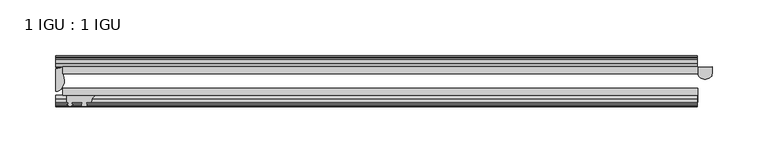
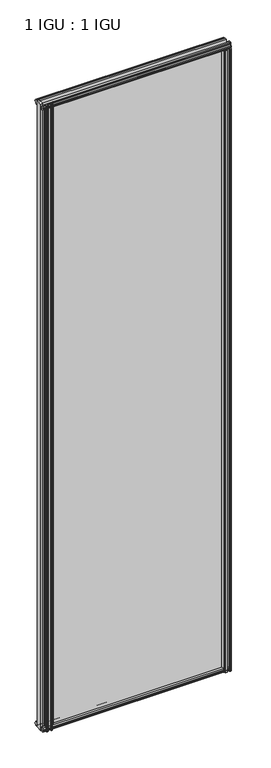
"""IFC4 building model written with IfcOpenShell, lengths in millimetres: plate geometry, 1 IGU : 1 IGU."""

from ifc_helpers import new_model, si_unit, point, frame, frame_2d, origin, place, context, project, spatial, polyline, circle_curve, ellipse_curve, trimmed, segment, composite_curve, outline, extrude, source, transform, mapped, element, save
from ifc_brep_helpers import plane_surface, cylinder_surface, revolved_surface, extruded_surface, advanced_brep


def plate_1_igu_1_igu_48973a5e(model_context):
    return source(origin(), model_context, "Body", "SolidModel", [
        extrude(outline(polyline([(-314.3182532, -38.6468937), (253.8940345, -38.6468937), (253.8940345, -44.9460938), (-314.3182532, -44.9460938), (-314.3182532, -38.6468937)])), frame((0.0, 0.0, -12.7), z_axis=(0.0, 0.0, 1.0), x_axis=(1.0, 0.0, 0.0)), (0.0, 0.0, 1.0), 2019.2999999),
        extrude(outline(polyline([(-314.3182532, -19.5460937), (253.8940345, -19.5460937), (253.8940345, -25.8960938), (-314.3182532, -25.8960938), (-314.3182532, -19.5460937)])), frame((0.0, 0.0, -12.7), z_axis=(0.0, 0.0, 1.0), x_axis=(1.0, 0.0, 0.0)), (0.0, 0.0, 1.0), 2019.2999999),
        advanced_brep(
        [(266.5698689, -19.5460937, -12.4587), (266.5698689, -25.8452938, -12.4587), (253.8698689, -25.8452938, -12.4587), (253.8698689, -19.5460938, -12.4587), (266.5698689, -19.5460937, 1993.1379999), (253.8698689, -19.5460938, 1993.1379999), (253.8698689, -25.8452938, 1993.1379999), (266.5698689, -25.8452938, 1993.1379999)],
        [
            (0, 1),
            (1, 2, ellipse_curve(frame((260.2198689, -25.8452938, -12.4587), z_axis=(0.0, 0.0, -1.0), x_axis=(-1.0, 0.0, 0.0)), 6.35, 4.7800819)),
            (2, 3),
            (3, 0, circle_curve(frame((260.2198689, 20.9435078, -12.4587), z_axis=(0.0, 0.0, 1.0), x_axis=(1.0, 0.0, 0.0)), 40.9845134)),
            (4, 5, circle_curve(frame((260.2198689, 20.9435078, 1993.1379999), z_axis=(0.0, 0.0, -1.0), x_axis=(1.0, 0.0, 0.0)), 40.9845134)),
            (5, 6),
            (6, 7, ellipse_curve(frame((260.2198689, -25.8452938, 1993.1379999), z_axis=(0.0, 0.0, 1.0), x_axis=(-1.0, 0.0, 0.0)), 6.35, 4.7800819)),
            (7, 4),
            (0, 4),
            (7, 1),
            (6, 2),
            (5, 3),
        ],
        [
            plane_surface(frame((253.1995032, -13.1960938, -12.4587), z_axis=(0.0, 0.0, -1.0), x_axis=(0.0, 1.0, 0.0))),
            plane_surface(frame((253.1995032, -13.1960938, 1993.1379999), z_axis=(0.0, 0.0, 1.0), x_axis=(0.0, 1.0, 0.0))),
            plane_surface(frame((266.5698689, -19.5460937, -12.4587), z_axis=(1.0, 0.0, 0.0), x_axis=(0.0, 0.0, 1.0))),
            extruded_surface(trimmed(ellipse_curve(frame((260.2198689, -25.8452938, 1993.1379999), z_axis=(0.0, 0.0, -1.0), x_axis=(-1.0, 0.0, 0.0)), 6.35, 4.7800819), [point((266.5698689, -25.8452938, 1993.1379999))], [point((253.8698689, -25.8452938, 1993.1379999))], True, "CARTESIAN"), (0.0, 0.0, -2005.5966999), 2005.5966999),
            plane_surface(frame((253.8698689, -25.8452938, -12.4587), z_axis=(-1.0, 0.0, 0.0), x_axis=(0.0, 0.0, 1.0))),
            revolved_surface(polyline([(301.2043823, 20.9435078, 1993.1379999), (301.2043823, 20.9435078, -12.4587)]), (260.2198689, 20.9435078, -12.4587), (0.0, 0.0, 1.0)),
        ],
        [
            (0, [[1, 2, 3, 4]]),
            (1, [[5, 6, 7, 8]]),
            (2, [[-1, 9, -8, 10]]),
            (3, [[-2, -10, -7, 11]]),
            (4, [[-3, -11, -6, 12]]),
            (5, [[-4, -12, -5, -9]]),
        ],
    ),
        advanced_brep(
        [(-320.6682532, -21.1706006, -12.7), (-314.3196413, -19.5461438, -12.7), (-314.3196413, -25.8549351, -12.7), (-313.1442901, -32.21431, -12.7), (-320.6682532, -41.5384043, -12.7), (-320.6682532, -21.1706006, 2006.5999999), (-320.6682532, -41.5384043, 2006.5999999), (-313.1442901, -32.21431, 2006.5999999), (-314.3196413, -25.8549351, 2006.5999999), (-314.3196413, -19.5461438, 2006.5999999)],
        [
            (0, 1, circle_curve(frame((-320.6688226, -7.9505008, -12.7), z_axis=(0.0, 0.0, 1.0), x_axis=(1.0, 0.0, 0.0)), 13.2200998)),
            (1, 2),
            (2, 3, circle_curve(frame((-331.2066544, -32.2643264, -12.7), z_axis=(0.0, 0.0, -1.0), x_axis=(1.0, 0.0, 0.0)), 18.0624336)),
            (3, 4, ellipse_curve(frame((-320.6674203, -32.2460921, -12.7), z_axis=(0.0, 0.0, -1.0), x_axis=(0.0, -1.0, 0.0)), 9.2923123, 7.5231742)),
            (4, 0),
            (5, 6),
            (6, 7, ellipse_curve(frame((-320.6674203, -32.2460921, 2006.5999999), z_axis=(0.0, 0.0, 1.0), x_axis=(0.0, -1.0, 0.0)), 9.2923123, 7.5231742)),
            (7, 8, circle_curve(frame((-331.2066544, -32.2643264, 2006.5999999), z_axis=(0.0, 0.0, 1.0), x_axis=(1.0, 0.0, 0.0)), 18.0624336)),
            (8, 9),
            (9, 5, circle_curve(frame((-320.6688226, -7.9505008, 2006.5999999), z_axis=(0.0, 0.0, -1.0), x_axis=(1.0, 0.0, 0.0)), 13.2200998)),
            (0, 5),
            (9, 1),
            (8, 2),
            (7, 3),
            (6, 4),
        ],
        [
            plane_surface(frame((-320.6682532, -13.1960937, -12.7), z_axis=(0.0, 0.0, -1.0), x_axis=(0.0, 1.0, 0.0))),
            plane_surface(frame((-320.6682532, -13.1960937, 2006.5999999), z_axis=(0.0, 0.0, 1.0), x_axis=(0.0, 1.0, 0.0))),
            revolved_surface(polyline([(-307.4487228, -7.9505008, 2006.5999999), (-307.4487228, -7.9505008, -12.7)]), (-320.6688226, -7.9505008, -12.7), (0.0, 0.0, 1.0)),
            plane_surface(frame((-314.3196413, -19.5461438, -12.7), z_axis=(1.0, 0.0, 0.0), x_axis=(0.0, 0.0, 1.0))),
            cylinder_surface(frame((-331.2066544, -32.2643264, -12.7), z_axis=(0.0, 0.0, -1.0), x_axis=(1.0, 0.0, 0.0)), 18.0624336),
            extruded_surface(trimmed(ellipse_curve(frame((-320.6674203, -32.2460921, 2006.5999999), z_axis=(0.0, 0.0, -1.0), x_axis=(0.0, -1.0, 0.0)), 9.2923123, 7.5231742), [point((-313.1442901, -32.21431, 2006.5999999))], [point((-320.6682532, -41.5384043, 2006.5999999))], True, "CARTESIAN"), (0.0, 0.0, -2019.2999999), 2019.2999999),
            plane_surface(frame((-320.6682532, -41.5384043, -12.7), z_axis=(-1.0, 0.0, 0.0), x_axis=(0.0, 0.0, 1.0))),
        ],
        [
            (0, [[1, 2, 3, 4, 5]]),
            (1, [[6, 7, 8, 9, 10]]),
            (2, [[-1, 11, -10, 12]]),
            (3, [[-2, -12, -9, 13]]),
            (4, [[-3, -13, -8, 14]]),
            (5, [[-4, -14, -7, 15]]),
            (6, [[-5, -15, -6, -11]]),
        ],
    ),
        extrude(outline(polyline([(-44.9460937, 1.7177181), (-44.9460937, -9.1036578), (-48.3496937, -11.938), (-51.2960937, -11.938), (-51.2960937, -7.493), (-53.6762907, -7.112), (-53.2163575, -8.5275291), (-54.0175717, -8.5275291), (-54.7250937, -6.35), (-54.0175717, -4.1724709), (-53.2163575, -4.1724709), (-53.6762907, -5.588), (-51.2960937, -5.207), (-51.2960937, 0.0), (-44.9460937, 1.7177181)])), frame((-320.6682532, 0.0, 0.0), z_axis=(1.0, 0.0, 0.0), x_axis=(0.0, 1.0, 0.0)), (0.0, 0.0, 1.0), 573.8677564),
        extrude(outline(polyline([(-13.1960937, -12.4587), (-16.1424937, -12.4587), (-19.5460937, -9.6243578), (-19.5460937, 1.1970181), (-13.1960937, -0.5207), (-13.1960937, -5.7277), (-10.8158968, -6.1087), (-11.27583, -4.6931709), (-10.4746158, -4.6931709), (-9.7670937, -6.8707), (-10.4746158, -9.0482291), (-11.27583, -9.0482291), (-10.8158968, -7.6327), (-13.1960937, -8.0137), (-13.1960937, -12.4587)])), frame((-320.6682532, 0.0, 0.0), z_axis=(1.0, 0.0, 0.0), x_axis=(0.0, 1.0, 0.0)), (0.0, 0.0, 1.0), 573.8677564),
        extrude(outline(polyline([(-51.2960937, 2005.8379999), (-48.3496937, 2005.8379999), (-44.9460937, 2003.0036577), (-44.9460937, 1992.1822818), (-51.2960937, 1993.8999999), (-51.2960937, 1999.1069999), (-53.6762907, 1999.4879999), (-53.2163575, 1998.0724708), (-54.0175717, 1998.0724708), (-54.7250937, 2000.2499999), (-54.0175717, 2002.4275289), (-53.2163575, 2002.4275289), (-53.6762907, 2001.0119999), (-51.2960937, 2001.3929999), (-51.2960937, 2005.8379999)])), frame((-320.6682532, 0.0, 0.0), z_axis=(1.0, 0.0, 0.0), x_axis=(0.0, 1.0, 0.0)), (0.0, 0.0, 1.0), 573.8677564),
        extrude(outline(polyline([(-19.5460937, 1992.7029818), (-19.5460937, 2003.5243577), (-16.1424937, 2006.3586999), (-13.1960937, 2006.3586999), (-13.1960937, 2001.9136999), (-10.8158968, 2001.5326999), (-11.27583, 2002.9482289), (-10.4746158, 2002.9482289), (-9.7670937, 2000.7706999), (-10.4746158, 1998.5931708), (-11.27583, 1998.5931708), (-10.8158968, 2000.0086999), (-13.1960937, 1999.6276999), (-13.1960937, 1994.4206999), (-19.5460937, 1992.7029818)])), frame((-320.6682532, 0.0, 0.0), z_axis=(1.0, 0.0, 0.0), x_axis=(0.0, 1.0, 0.0)), (0.0, 0.0, 1.0), 573.8677564),
        extrude(outline(composite_curve([segment(polyline([(253.4971596, -44.9460938), (253.4971596, -51.2960938), (251.8461596, -51.2960938), (251.8461596, -52.9470938), (252.9237903, -52.9470938)]), True, "CONTINUOUS"), segment(trimmed(circle_curve(frame_2d((251.8461596, -52.9470938)), 1.0776307), [point((252.9237903, -52.9470938))], [point((252.6081596, -53.7090938))], False, "CARTESIAN"), True, "CONTINUOUS"), segment(polyline([(252.6081596, -53.7090938), (250.8688672, -54.8194621)]), True, "CONTINUOUS"), segment(trimmed(circle_curve(frame_2d((250.3221596, -53.9630938)), 1.016), [point((250.8688672, -54.8194621))], [point((249.775452, -54.8194621))], False, "CARTESIAN"), True, "CONTINUOUS"), segment(polyline([(249.775452, -54.8194621), (248.0361596, -53.7090938)]), True, "CONTINUOUS"), segment(trimmed(circle_curve(frame_2d((248.7981596, -52.9470938)), 1.0776307), [point((248.0361596, -53.7090938))], [point((247.7205289, -52.9470938))], False, "CARTESIAN"), True, "CONTINUOUS"), segment(polyline([(247.7205289, -52.9470938), (248.7981596, -52.9470938), (248.7981596, -51.2960938), (239.7303596, -51.2960938)]), True, "CONTINUOUS"), segment(trimmed(circle_curve(frame_2d((239.7303596, -51.7532938)), 0.4572), [point((239.7303596, -51.2960938))], [point((239.3915418, -52.0602698))], True, "CARTESIAN"), True, "CONTINUOUS"), segment(trimmed(circle_curve(frame_2d((237.6221596, -53.663367)), 2.3876), [point((239.3915418, -52.0602698))], [point((239.6928026, -54.8520938))], False, "CARTESIAN"), True, "CONTINUOUS"), segment(polyline([(239.6928026, -54.8520938), (235.5515166, -54.8520938)]), True, "CONTINUOUS"), segment(trimmed(circle_curve(frame_2d((237.6221596, -53.663367)), 2.3876), [point((235.5515166, -54.8520938))], [point((235.8527775, -52.0602698))], False, "CARTESIAN"), True, "CONTINUOUS"), segment(trimmed(circle_curve(frame_2d((235.5139596, -51.7532938)), 0.4572), [point((235.8527775, -52.0602698))], [point((235.5139596, -51.2960938))], True, "CARTESIAN"), True, "CONTINUOUS"), segment(polyline([(235.5139596, -51.2960938), (231.2721596, -51.2960938)]), True, "CONTINUOUS"), segment(trimmed(circle_curve(frame_2d((222.2562281, -51.9750196)), 9.0414579), [point((231.2721596, -51.2960938))], [point((227.9432451, -44.9460938))], True, "CARTESIAN"), True, "CONTINUOUS"), segment(polyline([(227.9432451, -44.9460938), (253.4971596, -44.9460938)]), True, "CONTINUOUS")], self_intersect=False)), frame((0.0, 0.0, -12.7), z_axis=(0.0, 0.0, 1.0), x_axis=(1.0, 0.0, 0.0)), (0.0, 0.0, 1.0), 2006.5999999),
        extrude(outline(composite_curve([segment(trimmed(circle_curve(frame_2d((-279.9023219, -51.9750196)), 9.0414579), [point((-285.5893388, -44.9460938))], [point((-288.9182534, -51.2960938))], True, "CARTESIAN"), True, "CONTINUOUS"), segment(polyline([(-288.9182534, -51.2960938), (-293.1600534, -51.2960938)]), True, "CONTINUOUS"), segment(trimmed(circle_curve(frame_2d((-293.1600534, -51.7532938)), 0.4572), [point((-293.1600534, -51.2960938))], [point((-293.4988712, -52.0602698))], True, "CARTESIAN"), True, "CONTINUOUS"), segment(trimmed(circle_curve(frame_2d((-295.2682534, -53.663367)), 2.3876), [point((-293.4988712, -52.0602698))], [point((-293.1976104, -54.8520938))], False, "CARTESIAN"), True, "CONTINUOUS"), segment(polyline([(-293.1976104, -54.8520938), (-297.3388964, -54.8520938)]), True, "CONTINUOUS"), segment(trimmed(circle_curve(frame_2d((-295.2682534, -53.663367)), 2.3876), [point((-297.3388964, -54.8520938))], [point((-297.0376355, -52.0602698))], False, "CARTESIAN"), True, "CONTINUOUS"), segment(trimmed(circle_curve(frame_2d((-297.3764534, -51.7532938)), 0.4572), [point((-297.0376355, -52.0602698))], [point((-297.3764534, -51.2960938))], True, "CARTESIAN"), True, "CONTINUOUS"), segment(polyline([(-297.3764534, -51.2960938), (-306.4442534, -51.2960938), (-306.4442534, -52.9470938), (-305.3666226, -52.9470938)]), True, "CONTINUOUS"), segment(trimmed(circle_curve(frame_2d((-306.4442534, -52.9470938)), 1.0776307), [point((-305.3666226, -52.9470938))], [point((-305.6822534, -53.7090938))], False, "CARTESIAN"), True, "CONTINUOUS"), segment(polyline([(-305.6822534, -53.7090938), (-307.4215458, -54.8194621)]), True, "CONTINUOUS"), segment(trimmed(circle_curve(frame_2d((-307.9682534, -53.9630938)), 1.016), [point((-307.4215458, -54.8194621))], [point((-308.514961, -54.8194621))], False, "CARTESIAN"), True, "CONTINUOUS"), segment(polyline([(-308.514961, -54.8194621), (-310.2542534, -53.7090938)]), True, "CONTINUOUS"), segment(trimmed(circle_curve(frame_2d((-309.4922534, -52.9470938)), 1.0776307), [point((-310.2542534, -53.7090938))], [point((-310.5698841, -52.9470938))], False, "CARTESIAN"), True, "CONTINUOUS"), segment(polyline([(-310.5698841, -52.9470938), (-309.4922534, -52.9470938), (-309.4922534, -51.2960938), (-311.1432534, -51.2960938), (-311.1432534, -44.9460938), (-285.5893388, -44.9460938)]), True, "CONTINUOUS")], self_intersect=False)), frame((0.0, 0.0, -12.7), z_axis=(0.0, 0.0, 1.0), x_axis=(1.0, 0.0, 0.0)), (0.0, 0.0, 1.0), 2019.3),
    ])


if __name__ == "__main__":
    model = new_model("IFC4")
    model_context = context("Model", 3, world=origin())
    ifc_project = project(units=[si_unit("LENGTHUNIT", "METRE", prefix="MILLI")], contexts=[model_context])
    site = spatial("IfcSite", under=ifc_project)
    building = spatial("IfcBuilding", under=site)
    placement = place(None, origin())
    plate_1_igu_1_igu_shape = plate_1_igu_1_igu_48973a5e(model_context)
    element("IfcPlate", 1, ObjectType="1 IGU : 1 IGU", at=placement, inside=building, context=model_context, shape_type="MappedRepresentation", body=[
        mapped(plate_1_igu_1_igu_shape, transform((0.0, 0.0, 0.0), x_axis=(1.0, 0.0, 0.0), y_axis=(0.0, 1.0, 0.0), z_axis=(0.0, 0.0, 1.0))),
    ])
    save(model, "model.ifc")
